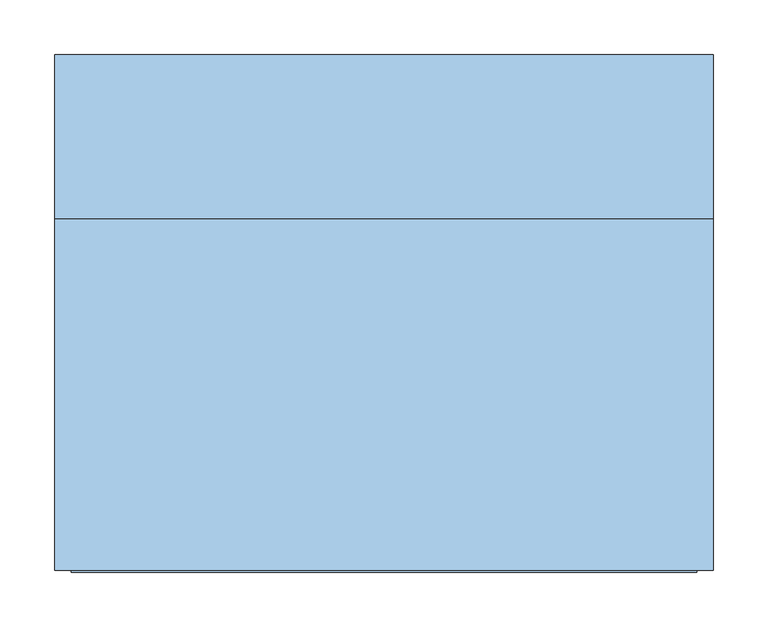
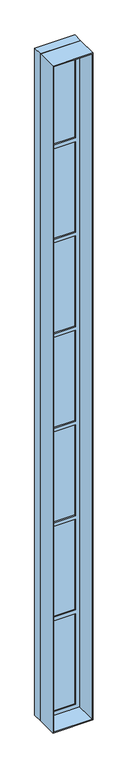
"""IFC4 building model written with IfcOpenShell, lengths in millimetres: window geometry."""

from ifc_helpers import new_model, si_unit, frame, origin, place, context, project, spatial, polyline, outline, extrude, source, transform, mapped, element, save


def window_38338982(model_context):
    return source(origin(), model_context, "Body", "SweptSolid", [
        extrude(outline(polyline([(-54.1378802, 169.7844701), (-505.0, 169.7844701), (-505.0, 189.7844701), (-54.1378802, 189.7844701), (-54.1378802, 169.7844701)])), frame((0.0, 0.0, 850.0), z_axis=(0.0, 0.0, 1.0), x_axis=(1.0, 0.0, 0.0)), (0.0, 0.0, 1.0), 1431.7056814),
        extrude(outline(polyline([(-54.1378802, 169.7844701), (-505.0, 169.7844701), (-505.0, 189.7844701), (-54.1378802, 189.7844701), (-54.1378802, 169.7844701)])), frame((0.0, 0.0, 9799.1564384), z_axis=(0.0, 0.0, 1.0), x_axis=(1.0, 0.0, 0.0)), (0.0, 0.0, 1.0), 1431.7056814),
        extrude(outline(polyline([(-54.1378802, 169.7844701), (-505.0, 169.7844701), (-505.0, 189.7844701), (-54.1378802, 189.7844701), (-54.1378802, 169.7844701)])), frame((0.0, 0.0, 8307.666287), z_axis=(0.0, 0.0, 1.0), x_axis=(1.0, 0.0, 0.0)), (0.0, 0.0, 1.0), 1431.4901514),
        extrude(outline(polyline([(-54.1378802, 169.7844701), (-505.0, 169.7844701), (-505.0, 189.7844701), (-54.1378802, 189.7844701), (-54.1378802, 169.7844701)])), frame((0.0, 0.0, 6816.1761356), z_axis=(0.0, 0.0, 1.0), x_axis=(1.0, 0.0, 0.0)), (0.0, 0.0, 1.0), 1431.4901514),
        extrude(outline(polyline([(-54.1378802, 169.7844701), (-505.0, 169.7844701), (-505.0, 189.7844701), (-54.1378802, 189.7844701), (-54.1378802, 169.7844701)])), frame((0.0, 0.0, 5324.6859842), z_axis=(0.0, 0.0, 1.0), x_axis=(1.0, 0.0, 0.0)), (0.0, 0.0, 1.0), 1431.4901514),
        extrude(outline(polyline([(-54.1378802, 169.7844701), (-505.0, 169.7844701), (-505.0, 189.7844701), (-54.1378802, 189.7844701), (-54.1378802, 169.7844701)])), frame((0.0, 0.0, 3833.1958328), z_axis=(0.0, 0.0, 1.0), x_axis=(1.0, 0.0, 0.0)), (0.0, 0.0, 1.0), 1431.4901514),
        extrude(outline(polyline([(-54.1378802, 169.7844701), (-505.0, 169.7844701), (-505.0, 189.7844701), (-54.1378802, 189.7844701), (-54.1378802, 169.7844701)])), frame((0.0, 0.0, 2341.7056814), z_axis=(0.0, 0.0, 1.0), x_axis=(1.0, 0.0, 0.0)), (0.0, 0.0, 1.0), 1431.4901514),
        extrude(outline(polyline([(790.4310599, -564.5689401), (790.4310599, 5.4310599), (11290.4310599, 5.4310599), (11290.4310599, -564.5689401), (790.4310599, -564.5689401)]), holes=[polyline([(11230.8621198, -505.0), (11230.8621198, -54.1378802), (9799.1564384, -54.1378802), (9799.1564384, -505.0), (11230.8621198, -505.0)]), polyline([(9739.1564384, -505.0), (9739.1564384, -54.1378802), (8307.666287, -54.1378802), (8307.666287, -505.0), (9739.1564384, -505.0)]), polyline([(8247.666287, -505.0), (8247.666287, -54.1378802), (6816.1761356, -54.1378802), (6816.1761356, -505.0), (8247.666287, -505.0)]), polyline([(6756.1761356, -505.0), (6756.1761356, -54.1378802), (5324.6859842, -54.1378802), (5324.6859842, -505.0), (6756.1761356, -505.0)]), polyline([(5264.6859842, -505.0), (5264.6859842, -54.1378802), (3833.1958328, -54.1378802), (3833.1958328, -505.0), (5264.6859842, -505.0)]), polyline([(3773.1958328, -505.0), (3773.1958328, -54.1378802), (2341.7056814, -54.1378802), (2341.7056814, -505.0), (3773.1958328, -505.0)]), polyline([(2281.7056814, -505.0), (2281.7056814, -54.1378802), (850.0, -54.1378802), (850.0, -505.0), (2281.7056814, -505.0)])]), frame((0.0, 150.0, 0.0), z_axis=(0.0, 1.0, 0.0), x_axis=(0.0, 0.0, 1.0)), (0.0, 0.0, 1.0), 59.5689401),
        extrude(outline(polyline([(11305.4310599, -579.5689401), (775.4310599, -579.5689401), (775.4310599, 20.4310599), (11305.4310599, 20.4310599), (11305.4310599, -579.5689401)]), holes=[polyline([(11290.4310599, -564.5689401), (11290.4310599, 5.4310599), (790.4310599, 5.4310599), (790.4310599, -564.5689401), (11290.4310599, -564.5689401)])]), frame((0.0, -170.0, 0.0), z_axis=(0.0, 1.0, 0.0), x_axis=(0.0, 0.0, 1.0)), (0.0, 0.0, 1.0), 320.0),
        extrude(outline(polyline([(11305.4310599, -579.5689401), (775.4310599, -579.5689401), (775.4310599, 20.4310599), (11305.4310599, 20.4310599), (11305.4310599, -579.5689401)]), holes=[polyline([(11290.4310599, -564.5689401), (11290.4310599, 5.4310599), (790.4310599, 5.4310599), (790.4310599, -564.5689401), (11290.4310599, -564.5689401)])]), frame((0.0, 150.0, 0.0), z_axis=(0.0, 1.0, 0.0), x_axis=(0.0, 0.0, 1.0)), (0.0, 0.0, 1.0), 150.0),
    ])


if __name__ == "__main__":
    model = new_model("IFC4")
    model_context = context("Model", 3, world=origin())
    ifc_project = project(units=[si_unit("LENGTHUNIT", "METRE", prefix="MILLI")], contexts=[model_context])
    site = spatial("IfcSite", under=ifc_project)
    building = spatial("IfcBuilding", under=site)
    placement = place(None, origin())
    window_shape = window_38338982(model_context)
    element("IfcWindow", 1, at=placement, inside=building, context=model_context, shape_type="MappedRepresentation", body=[
        mapped(window_shape, transform((0.0, 0.0, 0.0), x_axis=(1.0, 0.0, 0.0), y_axis=(0.0, 1.0, 0.0), z_axis=(0.0, 0.0, 1.0))),
    ])
    save(model, "model.ifc")
